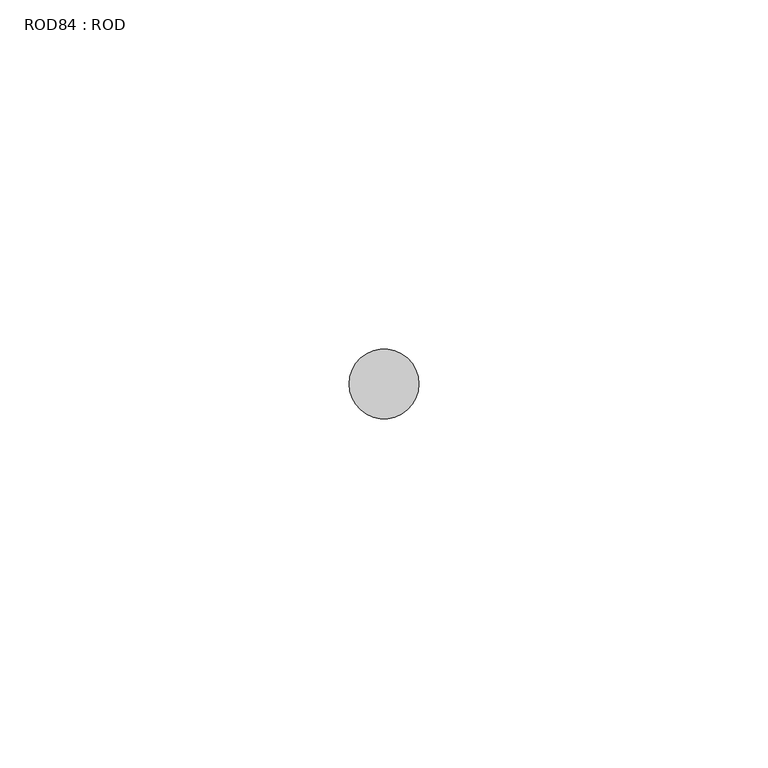
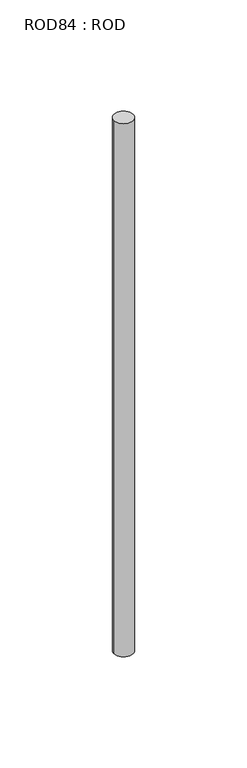
"""IFC4 building model written with IfcOpenShell, lengths in millimetres: proxy geometry, ROD84 : ROD."""

from ifc_helpers import new_model, si_unit, point, frame, frame_2d, origin, place, context, project, spatial, circle_curve, trimmed, segment, composite_curve, outline, extrude, source, transform, mapped, element, save


def rod84_rod_d70a3606(model_context):
    return source(origin(), model_context, "Body", "SweptSolid", [
        extrude(outline(composite_curve([segment(trimmed(circle_curve(frame_2d((-10320.2326676, -12414.6300853)), 5.0), [point((-10325.2326676, -12414.6300853))], [point((-10315.2326676, -12414.6300853))], False, "CARTESIAN"), True, "CONTINUOUS"), segment(trimmed(circle_curve(frame_2d((-10320.2326676, -12414.6300853)), 5.0), [point((-10315.2326676, -12414.6300853))], [point((-10325.2326676, -12414.6300853))], False, "CARTESIAN"), True, "CONTINUOUS")], self_intersect=False)), frame((0.0, 0.0, -208.6608845), z_axis=(0.0, 0.0, 1.0), x_axis=(1.0, 0.0, 0.0)), (0.0, 0.0, 1.0), 298.9028972),
    ])


if __name__ == "__main__":
    model = new_model("IFC4")
    model_context = context("Model", 3, world=origin())
    ifc_project = project(units=[si_unit("LENGTHUNIT", "METRE", prefix="MILLI")], contexts=[model_context])
    site = spatial("IfcSite", under=ifc_project)
    building = spatial("IfcBuilding", under=site)
    placement = place(None, origin())
    rod84_rod_shape = rod84_rod_d70a3606(model_context)
    element("IfcBuildingElementProxy", 1, Name="ROD84 : ROD", ObjectType="ROD84 : ROD", at=placement, inside=building, context=model_context, shape_type="MappedRepresentation", body=[
        mapped(rod84_rod_shape, transform((0.0, 0.0, 0.0), x_axis=(1.0, 0.0, 0.0), y_axis=(0.0, 1.0, 0.0), z_axis=(0.0, 0.0, 1.0))),
    ])
    save(model, "model.ifc")
